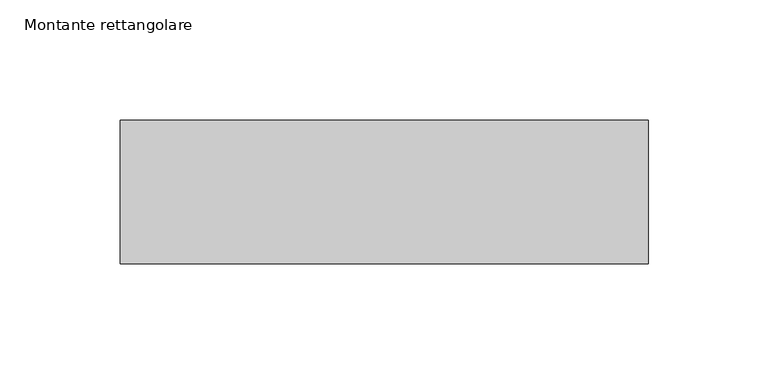
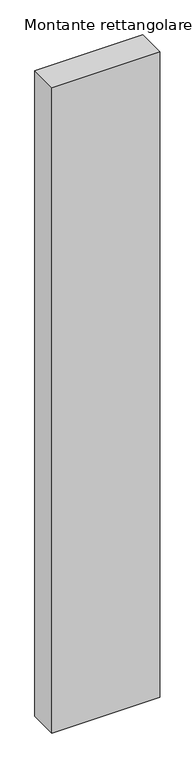
"""IFC4 building model written with IfcOpenShell, lengths in millimetres: member geometry, Montante rettangolare."""

from ifc_helpers import new_model, si_unit, frame, origin, place, context, project, spatial, polyline, outline, extrude, source, transform, mapped, element, save


def montante_rettangolare_d84862ff(model_context):
    return source(origin(), model_context, "Body", "SweptSolid", [
        extrude(outline(polyline([(0.0, 30.0), (0.0, -30.0), (-220.0, -30.0), (-220.0, 30.0), (0.0, 30.0)])), frame((0.0, 0.0, -1390.0), z_axis=(0.0, 0.0, 1.0), x_axis=(1.0, 0.0, 0.0)), (0.0, 0.0, 1.0), 1390.0),
    ])


if __name__ == "__main__":
    model = new_model("IFC4")
    model_context = context("Model", 3, world=origin())
    ifc_project = project(units=[si_unit("LENGTHUNIT", "METRE", prefix="MILLI")], contexts=[model_context])
    site = spatial("IfcSite", under=ifc_project)
    building = spatial("IfcBuilding", under=site)
    placement = place(None, origin())
    montante_rettangolare_shape = montante_rettangolare_d84862ff(model_context)
    element("IfcMember", 1, ObjectType="Montante rettangolare", at=placement, inside=building, context=model_context, shape_type="MappedRepresentation", body=[
        mapped(montante_rettangolare_shape, transform((0.0, 0.0, 0.0), x_axis=(1.0, 0.0, 0.0), y_axis=(0.0, 1.0, 0.0), z_axis=(0.0, 0.0, 1.0))),
    ])
    save(model, "model.ifc")
